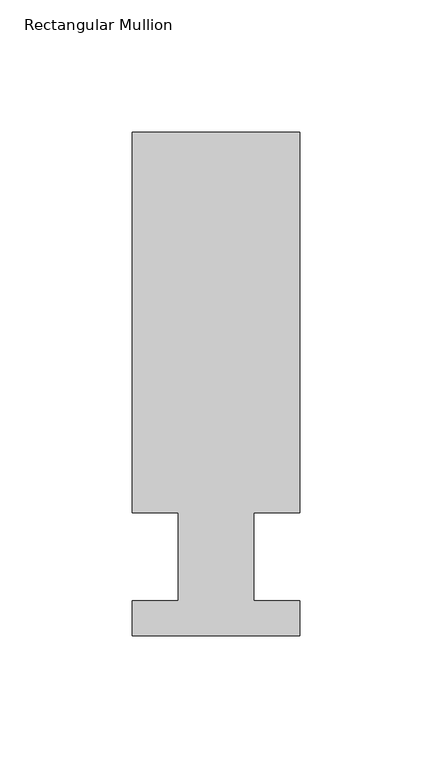
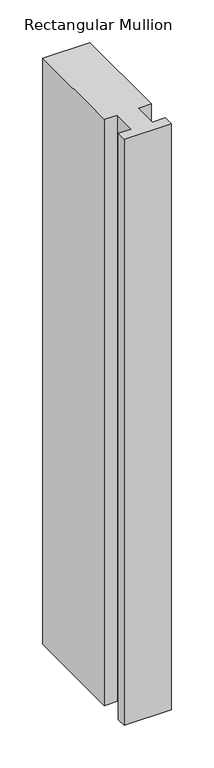
"""IFC4 building model written with IfcOpenShell, lengths in millimetres: member geometry, Rectangular Mullion."""

from ifc_helpers import new_model, si_unit, frame, origin, place, context, project, spatial, polyline, outline, extrude, source, transform, mapped, element, save


def rectangular_mullion_2b74364f(model_context):
    return source(origin(), model_context, "Body", "SweptSolid", [
        extrude(outline(polyline([(-31.7500007, 190.7881313), (31.7499998, 190.7881313), (31.7499998, 46.7447312), (14.2748003, 46.7447312), (14.2748003, 13.3945312), (31.7499998, 13.3945312), (31.7499998, 0.2119312), (-31.7500002, 0.2119312), (-31.7500002, 13.3945312), (-14.2748007, 13.3945312), (-14.2748007, 46.7447312), (-31.7500007, 46.7447312), (-31.7500007, 190.7881313)])), frame((0.0, 0.0, -838.1999999), z_axis=(0.0, 0.0, 1.0), x_axis=(1.0, 0.0, 0.0)), (0.0, 0.0, 1.0), 838.1999999),
    ])


if __name__ == "__main__":
    model = new_model("IFC4")
    model_context = context("Model", 3, world=origin())
    ifc_project = project(units=[si_unit("LENGTHUNIT", "METRE", prefix="MILLI")], contexts=[model_context])
    site = spatial("IfcSite", under=ifc_project)
    building = spatial("IfcBuilding", under=site)
    placement = place(None, origin())
    rectangular_mullion_shape = rectangular_mullion_2b74364f(model_context)
    element("IfcMember", 1, ObjectType="Rectangular Mullion", at=placement, inside=building, context=model_context, shape_type="MappedRepresentation", body=[
        mapped(rectangular_mullion_shape, transform((0.0, 0.0, 0.0), x_axis=(1.0, 0.0, 0.0), y_axis=(0.0, 1.0, 0.0), z_axis=(0.0, 0.0, 1.0))),
    ])
    save(model, "model.ifc")
